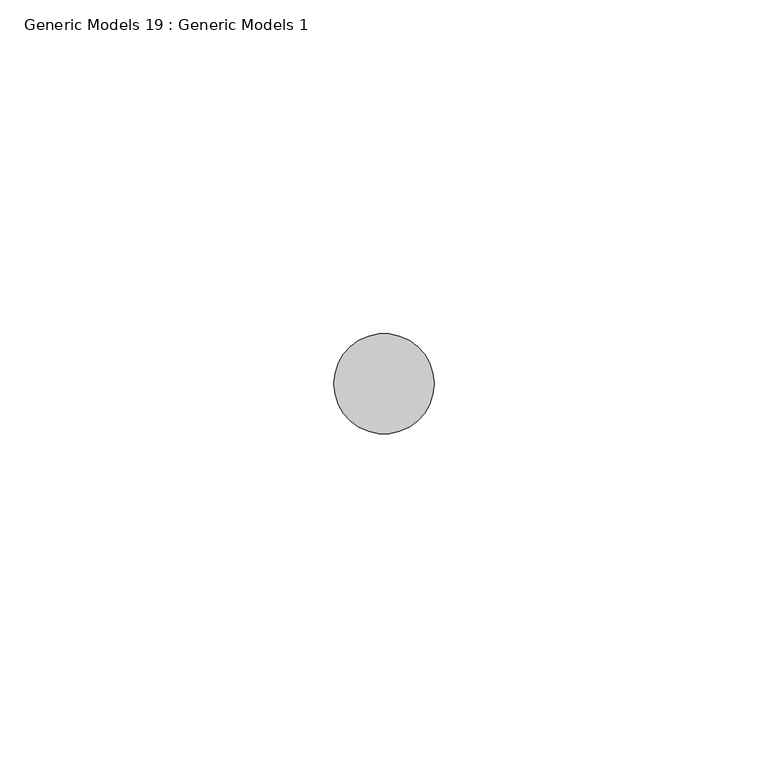
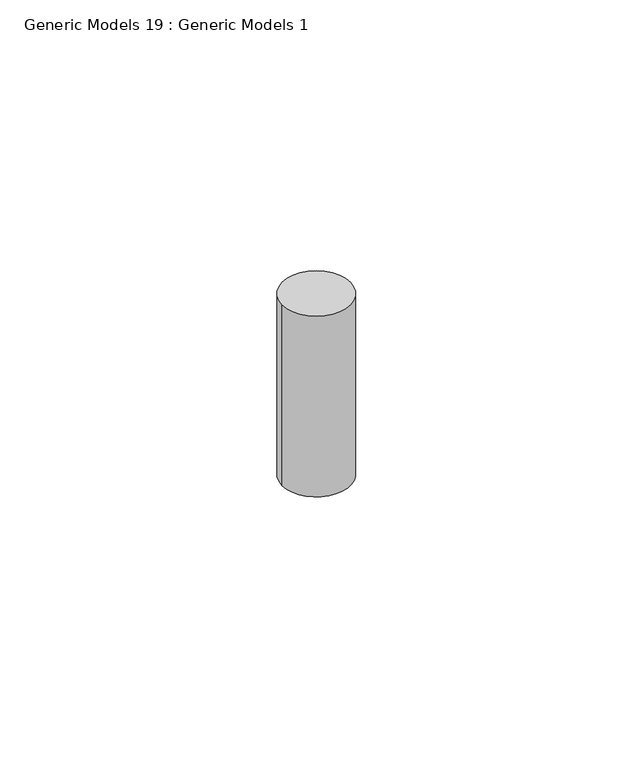
"""IFC4 building model written with IfcOpenShell, lengths in millimetres: proxy geometry, Generic Models 19 : Generic Models 1."""

import ifcopenshell
import ifcopenshell.guid

model = None  # the IFC model being written
_history = None  # IfcOwnerHistory: only IFC2X3 demands one
_inside = {}  # id of a spatial element -> (the spatial element, [elements in it])
_under = {}  # id of a project, library or spatial element -> (it, [spatial elements below it])
_declared = {}  # id of a project -> (the project, [libraries it declares])
_typed = {}  # id of a type object -> (the type object, [elements of that type])
_made_of = {}  # id of a material, layer set ... -> (it, [elements and type objects made of it])


def new_model(schema):
    """Start an empty IFC model of exactly this schema.

    Asked for "IFC4X3", IfcOpenShell would pick the latest addendum, in which some entities
    have other attributes; the version numbers below select the first issue.
    IFC2X3 requires an IfcOwnerHistory on every rooted entity: one is made here for all.
    """
    global model, _history
    if schema == "IFC4X3":
        model = ifcopenshell.file(schema_version=(4, 3, 0, 0))
    else:
        model = ifcopenshell.file(schema=schema)
    _inside.clear()
    _under.clear()
    _declared.clear()
    _typed.clear()
    _made_of.clear()
    _history = None
    if model.schema == "IFC2X3":
        org = make("IfcOrganization", Name="unknown")
        user = make(
            "IfcPersonAndOrganization",
            ThePerson=make("IfcPerson", FamilyName="unknown"),
            TheOrganization=org,
        )
        app = make(
            "IfcApplication",
            ApplicationDeveloper=org,
            Version="unknown",
            ApplicationFullName="unknown",
            ApplicationIdentifier="unknown",
        )
        _history = make(
            "IfcOwnerHistory",
            OwningUser=user,
            OwningApplication=app,
            ChangeAction="ADDED",
            CreationDate=0,
        )
    return model


def make(cls, **values):
    """One entity of the class cls with the attributes given. An attribute that is None is left unset."""
    return model.create_entity(
        cls, **{name: value for name, value in values.items() if value is not None}
    )


def rooted(cls, **values):
    """An entity with a GlobalId (a new one), such as an element, a storey or a relation."""
    return make(cls, GlobalId=ifcopenshell.guid.new(), OwnerHistory=_history, **values)


def si_unit(unit_type, name, prefix=None):
    """IfcSIUnit, for example si_unit("LENGTHUNIT", "METRE", prefix="MILLI")."""
    return make("IfcSIUnit", UnitType=unit_type, Prefix=prefix, Name=name)


def assignment(units):
    """IfcUnitAssignment: the units of a project."""
    return None if units is None else make("IfcUnitAssignment", Units=units)


def point(xyz):
    """IfcCartesianPoint."""
    return None if xyz is None else make("IfcCartesianPoint", Coordinates=xyz)


def direction(xyz):
    """IfcDirection."""
    return None if xyz is None else make("IfcDirection", DirectionRatios=xyz)


def frame(location, z_axis=None, x_axis=None):
    """IfcAxis2Placement3D, a coordinate frame: its origin and axes. An axis left out is left unset."""
    return make(
        "IfcAxis2Placement3D",
        Location=point(location),
        Axis=direction(z_axis),
        RefDirection=direction(x_axis),
    )


def frame_2d(location, x_axis=None):
    """IfcAxis2Placement2D, a coordinate frame in the plane: its origin and x axis."""
    return make(
        "IfcAxis2Placement2D", Location=point(location), RefDirection=direction(x_axis)
    )


def origin():
    """The frame at (0, 0, 0) with its axes left unset."""
    return frame((0.0, 0.0, 0.0))


def place(relative_to, where):
    """IfcLocalPlacement: puts the frame where relative to a parent placement (None: the world)."""
    return make(
        "IfcLocalPlacement", PlacementRelTo=relative_to, RelativePlacement=where
    )


def context(
    kind, dimensions, precision=None, world=None, true_north=None, identifier=None
):
    """IfcGeometricRepresentationContext, for example the 3D "Model" context."""
    return make(
        "IfcGeometricRepresentationContext",
        ContextIdentifier=identifier,
        ContextType=kind,
        CoordinateSpaceDimension=dimensions,
        Precision=precision,
        WorldCoordinateSystem=world,
        TrueNorth=true_north,
    )


def project(units=None, contexts=None):
    """IfcProject with its units and contexts."""
    return rooted(
        "IfcProject",
        Name="project",
        RepresentationContexts=contexts,
        UnitsInContext=assignment(units),
    )


def spatial(cls, under=None, at=None, **own):
    """A site, building, storey or space (cls), placed at a placement, below another one or the project."""
    s = rooted(cls, ObjectPlacement=at, **own)
    if under is not None:
        _under.setdefault(under.id(), (under, []))[1].append(s)
    return s


def circle_curve(where, radius):
    """IfcCircle in the frame where."""
    return make("IfcCircle", Position=where, Radius=radius)


def trimmed(basis, trim1, trim2, sense, master):
    """IfcTrimmedCurve: the piece of a basis curve between two trims."""
    return make(
        "IfcTrimmedCurve",
        BasisCurve=basis,
        Trim1=trim1,
        Trim2=trim2,
        SenseAgreement=sense,
        MasterRepresentation=master,
    )


def segment(curve, same_sense, transition):
    """IfcCompositeCurveSegment."""
    return make(
        "IfcCompositeCurveSegment",
        Transition=transition,
        SameSense=same_sense,
        ParentCurve=curve,
    )


def composite_curve(segments, self_intersect=None):
    """IfcCompositeCurve: segments joined end to end."""
    return make("IfcCompositeCurve", Segments=segments, SelfIntersect=self_intersect)


def outline(outer, holes=None, kind="AREA"):
    """IfcArbitraryClosedProfileDef: a profile drawn as a closed curve; with holes, ...WithVoids."""
    if holes is None:
        return make("IfcArbitraryClosedProfileDef", ProfileType=kind, OuterCurve=outer)
    return make(
        "IfcArbitraryProfileDefWithVoids",
        ProfileType=kind,
        OuterCurve=outer,
        InnerCurves=holes,
    )


def extrude(swept, where, along, depth):
    """IfcExtrudedAreaSolid: the profile swept, set in the frame where, extruded along a direction by depth."""
    return make(
        "IfcExtrudedAreaSolid",
        SweptArea=swept,
        Position=where,
        ExtrudedDirection=direction(along),
        Depth=depth,
    )


def shape(context_of_items, identifier, shape_type, items):
    """IfcShapeRepresentation: the items that make up one representation, for example the "Body"."""
    return make(
        "IfcShapeRepresentation",
        ContextOfItems=context_of_items,
        RepresentationIdentifier=identifier,
        RepresentationType=shape_type,
        Items=items,
    )


def source(mapping_origin, context_of_items, identifier, shape_type, items):
    """IfcRepresentationMap: a shape defined once, which mapped items show again and again."""
    return make(
        "IfcRepresentationMap",
        MappingOrigin=mapping_origin,
        MappedRepresentation=shape(context_of_items, identifier, shape_type, items),
    )


def transform(
    local_origin,
    x_axis=None,
    y_axis=None,
    z_axis=None,
    scale=None,
    scale2=None,
    scale3=None,
    uniform=True,
):
    """IfcCartesianTransformationOperator3D, or its non-uniform kind. x_axis, y_axis, z_axis: its Axis1, 2, 3."""
    if uniform:
        return make(
            "IfcCartesianTransformationOperator3D",
            Axis1=direction(x_axis),
            Axis2=direction(y_axis),
            LocalOrigin=point(local_origin),
            Scale=scale,
            Axis3=direction(z_axis),
        )
    return make(
        "IfcCartesianTransformationOperator3DnonUniform",
        Axis1=direction(x_axis),
        Axis2=direction(y_axis),
        LocalOrigin=point(local_origin),
        Scale=scale,
        Axis3=direction(z_axis),
        Scale2=scale2,
        Scale3=scale3,
    )


def mapped(mapping_source, mapping_target):
    """IfcMappedItem: shows the shape of a source again, moved by a transform."""
    return make(
        "IfcMappedItem", MappingSource=mapping_source, MappingTarget=mapping_target
    )


def made_of(thing, what):
    """Note that an element or type object is made of a material, layer set ...; save() writes the relation."""
    if what is not None:
        _made_of.setdefault(what.id(), (what, []))[1].append(thing)
    return thing


def element(
    cls,
    number,
    at=None,
    inside=None,
    cuts=None,
    type_object=None,
    material=None,
    context=None,
    identifier="Body",
    shape_type=None,
    held_by="IfcProductDefinitionShape",
    body=None,
    shapes=None,
    **own,
):
    """One element of the class cls, such as IfcWall. Its Tag is "e" and its number.

    at: its placement. inside: the storey or other place that contains it. cuts: it is an
    opening in that element (IfcRelVoidsElement). A single representation is given by context,
    identifier, shape_type and body (its items); several are given by shapes. held_by: the class
    of the entity that holds the representations. save() writes the other relations.
    """
    e = rooted(cls, Tag="e%d" % number, ObjectPlacement=at, **own)
    if body is not None:
        shapes = [shape(context, identifier, shape_type, body)]
    if shapes is not None:
        e.Representation = make(held_by, Representations=shapes)
    if inside is not None:
        _inside.setdefault(inside.id(), (inside, []))[1].append(e)
    if cuts is not None:
        rooted(
            "IfcRelVoidsElement", RelatingBuildingElement=cuts, RelatedOpeningElement=e
        )
    if type_object is not None:
        _typed.setdefault(type_object.id(), (type_object, []))[1].append(e)
    return made_of(e, material)


def aggregate(whole, parts):
    """IfcRelAggregates: a whole, such as a stair, and the parts it consists of."""
    return rooted("IfcRelAggregates", RelatingObject=whole, RelatedObjects=parts)


def save(model, path):
    """Write the relations noted so far, then the file.

    IfcRelAggregates (storeys below a building ...), IfcRelContainedInSpatialStructure (elements
    in a storey), IfcRelDefinesByType, IfcRelAssociatesMaterial and IfcRelDeclares: one each for
    every whole, place, type object, material and project.
    """
    for whole, parts in _under.values():
        aggregate(whole, parts)
    for where, things in _inside.values():
        rooted(
            "IfcRelContainedInSpatialStructure",
            RelatedElements=things,
            RelatingStructure=where,
        )
    for kind, things in _typed.values():
        rooted("IfcRelDefinesByType", RelatedObjects=things, RelatingType=kind)
    for what, things in _made_of.values():
        rooted("IfcRelAssociatesMaterial", RelatedObjects=things, RelatingMaterial=what)
    for by, libraries in _declared.values():
        rooted("IfcRelDeclares", RelatingContext=by, RelatedDefinitions=libraries)
    model.write(path)


def generic_models_19_generic_models_1_ce1ea3b9(model_context):
    return source(origin(), model_context, "Body", "SweptSolid", [
        extrude(outline(composite_curve([segment(trimmed(circle_curve(frame_2d((4342.1898636, 400.3057469)), 7.5), [point((4349.6898636, 400.3057469))], [point((4334.6898636, 400.3057469))], False, "CARTESIAN"), True, "CONTINUOUS"), segment(trimmed(circle_curve(frame_2d((4342.1898636, 400.3057469)), 7.5), [point((4334.6898636, 400.3057469))], [point((4349.6898636, 400.3057469))], False, "CARTESIAN"), True, "CONTINUOUS")], self_intersect=False)), frame((0.0, 0.0, -826.6691196), z_axis=(0.0, 0.0, 1.0), x_axis=(1.0, 0.0, 0.0)), (0.0, 0.0, 1.0), 42.0000012),
    ])


if __name__ == "__main__":
    model = new_model("IFC4")
    model_context = context("Model", 3, world=origin())
    ifc_project = project(units=[si_unit("LENGTHUNIT", "METRE", prefix="MILLI")], contexts=[model_context])
    site = spatial("IfcSite", under=ifc_project)
    building = spatial("IfcBuilding", under=site)
    placement = place(None, origin())
    generic_models_19_generic_models_1_shape = generic_models_19_generic_models_1_ce1ea3b9(model_context)
    element("IfcBuildingElementProxy", 1, Name="Generic Models 19 : Generic Models 1", ObjectType="Generic Models 19 : Generic Models 1", at=placement, inside=building, context=model_context, shape_type="MappedRepresentation", body=[
        mapped(generic_models_19_generic_models_1_shape, transform((0.0, 0.0, 0.0), x_axis=(1.0, 0.0, 0.0), y_axis=(0.0, 1.0, 0.0), z_axis=(0.0, 0.0, 1.0))),
    ])
    save(model, "model.ifc")
